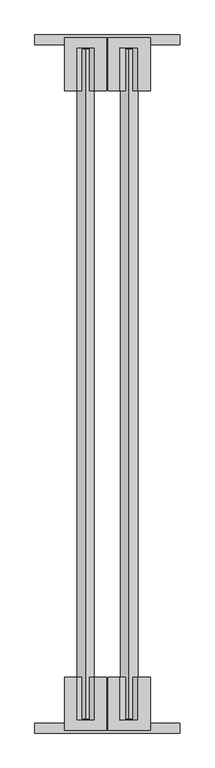
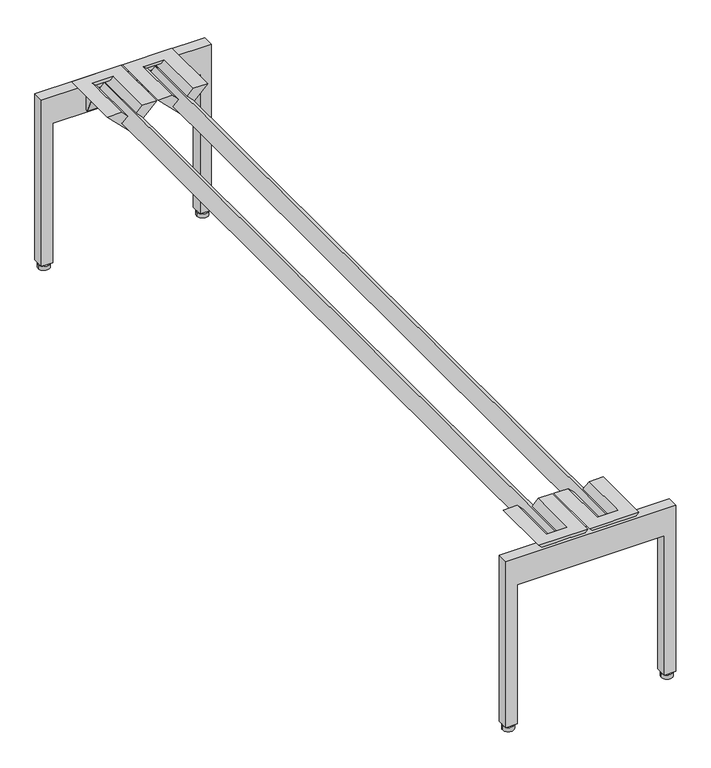
"""IFC4 building model written with IfcOpenShell, lengths in millimetres: furniture geometry."""

import ifcopenshell
import ifcopenshell.guid

model = None  # the IFC model being written
_history = None  # IfcOwnerHistory: only IFC2X3 demands one
_inside = {}  # id of a spatial element -> (the spatial element, [elements in it])
_under = {}  # id of a project, library or spatial element -> (it, [spatial elements below it])
_declared = {}  # id of a project -> (the project, [libraries it declares])
_typed = {}  # id of a type object -> (the type object, [elements of that type])
_made_of = {}  # id of a material, layer set ... -> (it, [elements and type objects made of it])


def new_model(schema):
    """Start an empty IFC model of exactly this schema.

    Asked for "IFC4X3", IfcOpenShell would pick the latest addendum, in which some entities
    have other attributes; the version numbers below select the first issue.
    IFC2X3 requires an IfcOwnerHistory on every rooted entity: one is made here for all.
    """
    global model, _history
    if schema == "IFC4X3":
        model = ifcopenshell.file(schema_version=(4, 3, 0, 0))
    else:
        model = ifcopenshell.file(schema=schema)
    _inside.clear()
    _under.clear()
    _declared.clear()
    _typed.clear()
    _made_of.clear()
    _history = None
    if model.schema == "IFC2X3":
        org = make("IfcOrganization", Name="unknown")
        user = make(
            "IfcPersonAndOrganization",
            ThePerson=make("IfcPerson", FamilyName="unknown"),
            TheOrganization=org,
        )
        app = make(
            "IfcApplication",
            ApplicationDeveloper=org,
            Version="unknown",
            ApplicationFullName="unknown",
            ApplicationIdentifier="unknown",
        )
        _history = make(
            "IfcOwnerHistory",
            OwningUser=user,
            OwningApplication=app,
            ChangeAction="ADDED",
            CreationDate=0,
        )
    return model


def make(cls, **values):
    """One entity of the class cls with the attributes given. An attribute that is None is left unset."""
    return model.create_entity(
        cls, **{name: value for name, value in values.items() if value is not None}
    )


def rooted(cls, **values):
    """An entity with a GlobalId (a new one), such as an element, a storey or a relation."""
    return make(cls, GlobalId=ifcopenshell.guid.new(), OwnerHistory=_history, **values)


def si_unit(unit_type, name, prefix=None):
    """IfcSIUnit, for example si_unit("LENGTHUNIT", "METRE", prefix="MILLI")."""
    return make("IfcSIUnit", UnitType=unit_type, Prefix=prefix, Name=name)


def assignment(units):
    """IfcUnitAssignment: the units of a project."""
    return None if units is None else make("IfcUnitAssignment", Units=units)


def point(xyz):
    """IfcCartesianPoint."""
    return None if xyz is None else make("IfcCartesianPoint", Coordinates=xyz)


def direction(xyz):
    """IfcDirection."""
    return None if xyz is None else make("IfcDirection", DirectionRatios=xyz)


def frame(location, z_axis=None, x_axis=None):
    """IfcAxis2Placement3D, a coordinate frame: its origin and axes. An axis left out is left unset."""
    return make(
        "IfcAxis2Placement3D",
        Location=point(location),
        Axis=direction(z_axis),
        RefDirection=direction(x_axis),
    )


def frame_2d(location, x_axis=None):
    """IfcAxis2Placement2D, a coordinate frame in the plane: its origin and x axis."""
    return make(
        "IfcAxis2Placement2D", Location=point(location), RefDirection=direction(x_axis)
    )


def origin():
    """The frame at (0, 0, 0) with its axes left unset."""
    return frame((0.0, 0.0, 0.0))


def origin_with_axes():
    """The frame at (0, 0, 0) with the z axis (0, 0, 1) and the x axis (1, 0, 0) written out."""
    return frame((0.0, 0.0, 0.0), z_axis=(0.0, 0.0, 1.0), x_axis=(1.0, 0.0, 0.0))


def place(relative_to, where):
    """IfcLocalPlacement: puts the frame where relative to a parent placement (None: the world)."""
    return make(
        "IfcLocalPlacement", PlacementRelTo=relative_to, RelativePlacement=where
    )


def context(
    kind, dimensions, precision=None, world=None, true_north=None, identifier=None
):
    """IfcGeometricRepresentationContext, for example the 3D "Model" context."""
    return make(
        "IfcGeometricRepresentationContext",
        ContextIdentifier=identifier,
        ContextType=kind,
        CoordinateSpaceDimension=dimensions,
        Precision=precision,
        WorldCoordinateSystem=world,
        TrueNorth=true_north,
    )


def project(units=None, contexts=None):
    """IfcProject with its units and contexts."""
    return rooted(
        "IfcProject",
        Name="project",
        RepresentationContexts=contexts,
        UnitsInContext=assignment(units),
    )


def spatial(cls, under=None, at=None, **own):
    """A site, building, storey or space (cls), placed at a placement, below another one or the project."""
    s = rooted(cls, ObjectPlacement=at, **own)
    if under is not None:
        _under.setdefault(under.id(), (under, []))[1].append(s)
    return s


def polyline(points):
    """IfcPolyline through the points."""
    return make("IfcPolyline", Points=[point(p) for p in points])


def circle_curve(where, radius):
    """IfcCircle in the frame where."""
    return make("IfcCircle", Position=where, Radius=radius)


def trimmed(basis, trim1, trim2, sense, master):
    """IfcTrimmedCurve: the piece of a basis curve between two trims."""
    return make(
        "IfcTrimmedCurve",
        BasisCurve=basis,
        Trim1=trim1,
        Trim2=trim2,
        SenseAgreement=sense,
        MasterRepresentation=master,
    )


def segment(curve, same_sense, transition):
    """IfcCompositeCurveSegment."""
    return make(
        "IfcCompositeCurveSegment",
        Transition=transition,
        SameSense=same_sense,
        ParentCurve=curve,
    )


def composite_curve(segments, self_intersect=None):
    """IfcCompositeCurve: segments joined end to end."""
    return make("IfcCompositeCurve", Segments=segments, SelfIntersect=self_intersect)


def outline(outer, holes=None, kind="AREA"):
    """IfcArbitraryClosedProfileDef: a profile drawn as a closed curve; with holes, ...WithVoids."""
    if holes is None:
        return make("IfcArbitraryClosedProfileDef", ProfileType=kind, OuterCurve=outer)
    return make(
        "IfcArbitraryProfileDefWithVoids",
        ProfileType=kind,
        OuterCurve=outer,
        InnerCurves=holes,
    )


def extrude(swept, where, along, depth):
    """IfcExtrudedAreaSolid: the profile swept, set in the frame where, extruded along a direction by depth."""
    return make(
        "IfcExtrudedAreaSolid",
        SweptArea=swept,
        Position=where,
        ExtrudedDirection=direction(along),
        Depth=depth,
    )


def faces_of(points, faces, orient=None, outer=None):
    """IfcFace entities. A face is a list of loops; a loop is a list of indices into points, from 0.

    orient and outer hold one flag for each loop. By default every Orientation is true, the
    first loop of a face is its IfcFaceOuterBound and the others are IfcFaceBound.
    """
    made = []
    for i, loops in enumerate(faces):
        bounds = []
        for j, loop in enumerate(loops):
            is_outer = j == 0 if outer is None else outer[i][j]
            bounds.append(
                make(
                    "IfcFaceOuterBound" if is_outer else "IfcFaceBound",
                    Bound=make("IfcPolyLoop", Polygon=[points[k] for k in loop]),
                    Orientation=True if orient is None else orient[i][j],
                )
            )
        made.append(make("IfcFace", Bounds=bounds))
    return made


def faceted_brep(points, faces, orient=None, outer=None, voids=None):
    """IfcFacetedBrep: a solid bounded by flat faces; with voids (closed shells), ...WithVoids."""
    shared = [point(p) for p in points]
    hull = make("IfcClosedShell", CfsFaces=faces_of(shared, faces, orient, outer))
    if voids is None:
        return make("IfcFacetedBrep", Outer=hull)
    return make(
        "IfcFacetedBrepWithVoids",
        Outer=hull,
        Voids=[
            make(cls, CfsFaces=faces_of(shared, fs, o, b)) for cls, fs, o, b in voids
        ],
    )


def shape(context_of_items, identifier, shape_type, items):
    """IfcShapeRepresentation: the items that make up one representation, for example the "Body"."""
    return make(
        "IfcShapeRepresentation",
        ContextOfItems=context_of_items,
        RepresentationIdentifier=identifier,
        RepresentationType=shape_type,
        Items=items,
    )


def source(mapping_origin, context_of_items, identifier, shape_type, items):
    """IfcRepresentationMap: a shape defined once, which mapped items show again and again."""
    return make(
        "IfcRepresentationMap",
        MappingOrigin=mapping_origin,
        MappedRepresentation=shape(context_of_items, identifier, shape_type, items),
    )


def transform(
    local_origin,
    x_axis=None,
    y_axis=None,
    z_axis=None,
    scale=None,
    scale2=None,
    scale3=None,
    uniform=True,
):
    """IfcCartesianTransformationOperator3D, or its non-uniform kind. x_axis, y_axis, z_axis: its Axis1, 2, 3."""
    if uniform:
        return make(
            "IfcCartesianTransformationOperator3D",
            Axis1=direction(x_axis),
            Axis2=direction(y_axis),
            LocalOrigin=point(local_origin),
            Scale=scale,
            Axis3=direction(z_axis),
        )
    return make(
        "IfcCartesianTransformationOperator3DnonUniform",
        Axis1=direction(x_axis),
        Axis2=direction(y_axis),
        LocalOrigin=point(local_origin),
        Scale=scale,
        Axis3=direction(z_axis),
        Scale2=scale2,
        Scale3=scale3,
    )


def mapped(mapping_source, mapping_target):
    """IfcMappedItem: shows the shape of a source again, moved by a transform."""
    return make(
        "IfcMappedItem", MappingSource=mapping_source, MappingTarget=mapping_target
    )


def made_of(thing, what):
    """Note that an element or type object is made of a material, layer set ...; save() writes the relation."""
    if what is not None:
        _made_of.setdefault(what.id(), (what, []))[1].append(thing)
    return thing


def element(
    cls,
    number,
    at=None,
    inside=None,
    cuts=None,
    type_object=None,
    material=None,
    context=None,
    identifier="Body",
    shape_type=None,
    held_by="IfcProductDefinitionShape",
    body=None,
    shapes=None,
    **own,
):
    """One element of the class cls, such as IfcWall. Its Tag is "e" and its number.

    at: its placement. inside: the storey or other place that contains it. cuts: it is an
    opening in that element (IfcRelVoidsElement). A single representation is given by context,
    identifier, shape_type and body (its items); several are given by shapes. held_by: the class
    of the entity that holds the representations. save() writes the other relations.
    """
    e = rooted(cls, Tag="e%d" % number, ObjectPlacement=at, **own)
    if body is not None:
        shapes = [shape(context, identifier, shape_type, body)]
    if shapes is not None:
        e.Representation = make(held_by, Representations=shapes)
    if inside is not None:
        _inside.setdefault(inside.id(), (inside, []))[1].append(e)
    if cuts is not None:
        rooted(
            "IfcRelVoidsElement", RelatingBuildingElement=cuts, RelatedOpeningElement=e
        )
    if type_object is not None:
        _typed.setdefault(type_object.id(), (type_object, []))[1].append(e)
    return made_of(e, material)


def aggregate(whole, parts):
    """IfcRelAggregates: a whole, such as a stair, and the parts it consists of."""
    return rooted("IfcRelAggregates", RelatingObject=whole, RelatedObjects=parts)


def save(model, path):
    """Write the relations noted so far, then the file.

    IfcRelAggregates (storeys below a building ...), IfcRelContainedInSpatialStructure (elements
    in a storey), IfcRelDefinesByType, IfcRelAssociatesMaterial and IfcRelDeclares: one each for
    every whole, place, type object, material and project.
    """
    for whole, parts in _under.values():
        aggregate(whole, parts)
    for where, things in _inside.values():
        rooted(
            "IfcRelContainedInSpatialStructure",
            RelatedElements=things,
            RelatingStructure=where,
        )
    for kind, things in _typed.values():
        rooted("IfcRelDefinesByType", RelatedObjects=things, RelatingType=kind)
    for what, things in _made_of.values():
        rooted("IfcRelAssociatesMaterial", RelatedObjects=things, RelatingMaterial=what)
    for by, libraries in _declared.values():
        rooted("IfcRelDeclares", RelatingContext=by, RelatedDefinitions=libraries)
    model.write(path)


def furniture_86c1d55c(model_context):
    return source(origin(), model_context, "Body", "SolidModel", [
        extrude(outline(composite_curve([segment(trimmed(circle_curve(frame_2d((368.2999996, -1816.0999999)), 3.9687499), [point((372.2687495, -1816.0999999))], [point((364.3312497, -1816.0999999))], False, "CARTESIAN"), True, "CONTINUOUS"), segment(trimmed(circle_curve(frame_2d((368.2999996, -1816.0999999)), 3.9687499), [point((364.3312497, -1816.0999999))], [point((372.2687495, -1816.0999999))], False, "CARTESIAN"), True, "CONTINUOUS")], self_intersect=False)), frame((0.0, 0.0, 9.525), z_axis=(0.0, 0.0, 1.0), x_axis=(1.0, 0.0, 0.0)), (0.0, 0.0, 1.0), 3.1750004),
        extrude(outline(composite_curve([segment(trimmed(circle_curve(frame_2d((368.2999996, -1816.0999996)), 12.7000004), [point((381.0, -1816.0999996))], [point((355.5999992, -1816.0999996))], False, "CARTESIAN"), True, "CONTINUOUS"), segment(trimmed(circle_curve(frame_2d((368.2999996, -1816.0999996)), 12.7000004), [point((355.5999992, -1816.0999996))], [point((381.0, -1816.0999996))], False, "CARTESIAN"), True, "CONTINUOUS")], self_intersect=False)), origin_with_axes(), (0.0, 0.0, 1.0), 9.525),
        faceted_brep([(192.4050254, -1682.7522285, 412.7499879), (224.1549952, -1682.7522285, 412.7499879), (237.8993597, -1682.7522285, 399.0056233), (225.1993586, -1682.7522285, 386.3056404), (247.6500091, -1682.7522285, 363.8549982), (270.1006464, -1682.7522285, 386.3056355), (257.4006403, -1682.7522285, 399.0056233), (271.1450048, -1682.7522285, 412.7499879), (302.8949746, -1682.7522285, 412.7499879), (247.65, -1682.7522285, 357.5050133), (192.4050254, -1821.1847672, 412.7499879), (247.65, -1821.1847672, 357.5050133), (302.8949746, -1821.1847672, 412.7499879), (257.4006403, -1821.1847672, 399.0056233), (270.1006464, -1821.1847672, 386.3056355), (247.6500091, -1821.1847672, 363.8549982), (225.1993586, -1821.1847672, 386.3056404), (237.8993597, -1821.1847672, 399.0056233), (230.5049709, -1821.1847672, 406.4000121), (264.7950291, -1821.1847672, 406.4000121), (247.65, -1794.3509835, 357.5050133), (214.2753111, -1778.389187, 390.8797022), (214.2753111, -1803.3999992, 390.8797022), (247.65, -1803.3999992, 357.5050133), (280.9503111, -1803.3999992, 390.8053245), (280.9503111, -1778.424759, 390.8053245), (270.1006464, -1803.3999992, 386.3056355), (247.6500091, -1803.3999992, 363.8549982), (247.6500091, -1791.3140364, 363.8549982), (270.1006464, -1780.5767826, 386.3056355), (225.1993586, -1803.3999992, 386.3056404), (225.1993586, -1780.5767803, 386.3056404), (271.1450048, -1795.7822252, 412.7499879), (224.1549952, -1795.7822252, 412.7499879), (264.7950291, -1795.7822252, 406.4000121), (264.7128134, -1777.9999985, 391.6934607), (264.7128134, -1803.3999992, 391.6934607), (230.5871866, -1803.3999992, 391.6934607), (230.5871866, -1777.9999985, 391.6934607), (230.5049709, -1795.7822252, 406.4000121), (280.9503111, -1798.3199995, 349.2061558), (280.9503111, -1803.3999992, 349.2061558), (214.2753111, -1803.3999992, 349.2061558), (214.2753111, -1798.3199995, 349.2061558)], [[[0, 1, 2, 3, 4, 5, 6, 7, 8, 9]], [[10, 11, 12], [13, 14, 15, 16, 17, 18, 19]], [[9, 20, 21, 22, 23, 11, 10, 0]], [[12, 11, 23, 24, 25, 20, 9, 8]], [[14, 26, 27, 15]], [[4, 28, 29, 5]], [[15, 27, 30, 16]], [[3, 31, 28, 4]], [[7, 32, 33, 1, 0, 10, 12, 8]], [[6, 13, 19, 34, 32, 7]], [[5, 29, 35, 36, 26, 14, 13, 6]], [[2, 17, 16, 30, 37, 38, 31, 3]], [[1, 33, 39, 18, 17, 2]], [[40, 25, 24, 41]], [[42, 22, 21, 43]], [[37, 30, 27, 26, 36]], [[41, 24, 23, 22, 42]], [[36, 35, 38, 37]], [[35, 29, 28, 31, 38]], [[43, 21, 20, 25, 40]], [[41, 42, 43, 40]], [[32, 34, 39, 33]], [[18, 39, 34, 19]]]),
        faceted_brep([(78.1050254, -1682.7522285, 412.7499879), (109.8550042, -1682.7522285, 412.7499879), (123.5993597, -1682.7522285, 399.0056233), (110.8993631, -1682.7522285, 386.3056358), (133.3500091, -1682.7522285, 363.8549982), (155.8006464, -1682.7522285, 386.3056355), (143.1006403, -1682.7522285, 399.0056233), (156.8450048, -1682.7522285, 412.7499879), (188.5949746, -1682.7522285, 412.7499879), (133.35, -1682.7522285, 357.5050133), (78.1050254, -1821.1847672, 412.7499879), (133.35, -1821.1847672, 357.5050133), (188.5949746, -1821.1847672, 412.7499879), (143.1006403, -1821.1847672, 399.0056233), (155.8006464, -1821.1847672, 386.3056355), (133.3500091, -1821.1847672, 363.8549982), (110.8993631, -1821.1847672, 386.3056358), (123.5993597, -1821.1847672, 399.0056233), (116.2049758, -1821.1847672, 406.4000121), (150.4950291, -1821.1847672, 406.4000121), (133.35, -1794.3509835, 357.5050133), (99.9753021, -1778.3891827, 390.8797113), (99.9753021, -1803.3999992, 390.8797113), (133.35, -1803.3999992, 357.5050133), (166.6503111, -1803.3999992, 390.8053245), (166.6503111, -1778.424759, 390.8053245), (155.8006464, -1803.3999992, 386.3056355), (133.3500091, -1803.3999992, 363.8549982), (133.3500091, -1791.3140364, 363.8549982), (155.8006464, -1780.5767826, 386.3056355), (110.8993631, -1803.3999992, 386.3056358), (110.8993631, -1780.5767825, 386.3056358), (156.8450048, -1795.7822252, 412.7499879), (109.8550042, -1795.7822252, 412.7499879), (150.4950291, -1795.7822252, 406.4000121), (150.4128134, -1777.9999985, 391.6934607), (150.4128134, -1803.3999992, 391.6934607), (116.2871918, -1803.3999992, 391.6934607), (116.2871918, -1777.9999985, 391.6934607), (116.2049758, -1795.7822252, 406.4000121), (166.6503111, -1798.3199995, 349.2061558), (166.6503111, -1803.3999992, 349.2061558), (99.9753021, -1803.3999992, 349.2061558), (99.9753021, -1798.3199995, 349.2061558)], [[[0, 1, 2, 3, 4, 5, 6, 7, 8, 9]], [[10, 11, 12], [13, 14, 15, 16, 17, 18, 19]], [[9, 20, 21, 22, 23, 11, 10, 0]], [[12, 11, 23, 24, 25, 20, 9, 8]], [[14, 26, 27, 15]], [[4, 28, 29, 5]], [[15, 27, 30, 16]], [[3, 31, 28, 4]], [[7, 32, 33, 1, 0, 10, 12, 8]], [[6, 13, 19, 34, 32, 7]], [[5, 29, 35, 36, 26, 14, 13, 6]], [[2, 17, 16, 30, 37, 38, 31, 3]], [[1, 33, 39, 18, 17, 2]], [[40, 25, 24, 41]], [[42, 22, 21, 43]], [[37, 30, 27, 26, 36]], [[41, 24, 23, 22, 42]], [[36, 35, 38, 37]], [[35, 29, 28, 31, 38]], [[43, 21, 20, 25, 40]], [[41, 42, 43, 40]], [[32, 34, 39, 33]], [[18, 39, 34, 19]]]),
        extrude(outline(polyline([(12.7000004, 0.0), (12.7000004, 25.4000008), (342.9, 25.4000008), (342.9, 355.5999879), (12.7000004, 355.5999879), (12.7000004, 381.0), (406.4000121, 381.0), (406.4000121, 0.0), (12.7000004, 0.0)])), frame((0.0, -1828.8, 0.0), z_axis=(0.0, 1.0, 0.0), x_axis=(0.0, 0.0, 1.0)), (0.0, 0.0, 1.0), 25.4000008),
        extrude(outline(composite_curve([segment(trimmed(circle_curve(frame_2d((12.7000004, -1816.0999999)), 3.9687499), [point((16.6687503, -1816.0999999))], [point((8.7312505, -1816.0999999))], False, "CARTESIAN"), True, "CONTINUOUS"), segment(trimmed(circle_curve(frame_2d((12.7000004, -1816.0999999)), 3.9687499), [point((8.7312505, -1816.0999999))], [point((16.6687503, -1816.0999999))], False, "CARTESIAN"), True, "CONTINUOUS")], self_intersect=False)), frame((0.0, 0.0, 9.525), z_axis=(0.0, 0.0, 1.0), x_axis=(1.0, 0.0, 0.0)), (0.0, 0.0, 1.0), 3.1750004),
        extrude(outline(composite_curve([segment(trimmed(circle_curve(frame_2d((12.7000004, -1816.0999996)), 12.7000004), [point((25.4000008, -1816.0999996))], [point((0.0, -1816.0999996))], False, "CARTESIAN"), True, "CONTINUOUS"), segment(trimmed(circle_curve(frame_2d((12.7000004, -1816.0999996)), 12.7000004), [point((0.0, -1816.0999996))], [point((25.4000008, -1816.0999996))], False, "CARTESIAN"), True, "CONTINUOUS")], self_intersect=False)), origin_with_axes(), (0.0, 0.0, 1.0), 9.525),
        extrude(outline(composite_curve([segment(trimmed(circle_curve(frame_2d((368.2999996, -12.7000001)), 3.9687499), [point((372.2687495, -12.7000001))], [point((364.3312497, -12.7000001))], False, "CARTESIAN"), True, "CONTINUOUS"), segment(trimmed(circle_curve(frame_2d((368.2999996, -12.7000001)), 3.9687499), [point((364.3312497, -12.7000001))], [point((372.2687495, -12.7000001))], False, "CARTESIAN"), True, "CONTINUOUS")], self_intersect=False)), frame((0.0, 0.0, 9.525), z_axis=(0.0, 0.0, 1.0), x_axis=(1.0, 0.0, 0.0)), (0.0, 0.0, 1.0), 3.1750004),
        extrude(outline(composite_curve([segment(trimmed(circle_curve(frame_2d((368.2999996, -12.7000004)), 12.7000004), [point((381.0, -12.7000004))], [point((355.5999992, -12.7000004))], False, "CARTESIAN"), True, "CONTINUOUS"), segment(trimmed(circle_curve(frame_2d((368.2999996, -12.7000004)), 12.7000004), [point((355.5999992, -12.7000004))], [point((381.0, -12.7000004))], False, "CARTESIAN"), True, "CONTINUOUS")], self_intersect=False)), origin_with_axes(), (0.0, 0.0, 1.0), 9.525),
        faceted_brep([(192.4050254, -146.0477715, 412.7499879), (247.65, -146.0477715, 357.5050133), (302.8949746, -146.0477715, 412.7499879), (271.1450048, -146.0477715, 412.7499879), (257.4006403, -146.0477715, 399.0056233), (270.1006464, -146.0477715, 386.3056355), (247.6500091, -146.0477715, 363.8549982), (225.1993586, -146.0477715, 386.3056404), (237.8993597, -146.0477715, 399.0056233), (224.1549952, -146.0477715, 412.7499879), (192.4050254, -7.6152328, 412.7499879), (302.8949746, -7.6152328, 412.7499879), (247.65, -7.6152328, 357.5050133), (257.4006403, -7.6152328, 399.0056233), (264.7950291, -7.6152328, 406.4000121), (230.5049709, -7.6152328, 406.4000121), (237.8993597, -7.6152328, 399.0056233), (225.1993586, -7.6152328, 386.3056404), (247.6500091, -7.6152328, 363.8549982), (270.1006464, -7.6152328, 386.3056355), (247.65, -25.4000008, 357.5050133), (214.2753111, -25.4000008, 390.8797022), (214.2753111, -50.410813, 390.8797022), (247.65, -34.4490165, 357.5050133), (280.9503111, -50.375241, 390.8053245), (280.9503111, -25.4000008, 390.8053245), (270.1006464, -48.2232174, 386.3056355), (247.6500091, -37.4859636, 363.8549982), (247.6500091, -25.4000008, 363.8549982), (270.1006464, -25.4000008, 386.3056355), (225.1993586, -48.2232197, 386.3056404), (225.1993586, -25.4000008, 386.3056404), (224.1549952, -33.0177748, 412.7499879), (271.1450048, -33.0177748, 412.7499879), (264.7950291, -33.0177748, 406.4000121), (264.7128134, -25.4000008, 391.6934607), (264.7128134, -50.8000015, 391.6934607), (230.5871866, -50.8000015, 391.6934607), (230.5871866, -25.4000008, 391.6934607), (230.5049709, -33.0177748, 406.4000121), (280.9503111, -30.4800005, 349.2061558), (280.9503111, -25.4000008, 349.2061558), (214.2753111, -25.4000008, 349.2061558), (214.2753111, -30.4800005, 349.2061558)], [[[0, 1, 2, 3, 4, 5, 6, 7, 8, 9]], [[10, 11, 12], [13, 14, 15, 16, 17, 18, 19]], [[1, 0, 10, 12, 20, 21, 22, 23]], [[11, 2, 1, 23, 24, 25, 20, 12]], [[6, 5, 26, 27]], [[19, 18, 28, 29]], [[7, 6, 27, 30]], [[18, 17, 31, 28]], [[3, 2, 11, 10, 0, 9, 32, 33]], [[4, 3, 33, 34, 14, 13]], [[5, 4, 13, 19, 29, 35, 36, 26]], [[8, 7, 30, 37, 38, 31, 17, 16]], [[9, 8, 16, 15, 39, 32]], [[40, 41, 25, 24]], [[42, 43, 22, 21]], [[41, 42, 21, 20, 25]], [[38, 35, 29, 28, 31]], [[35, 38, 37, 36]], [[36, 37, 30, 27, 26]], [[43, 40, 24, 23, 22]], [[41, 40, 43, 42]], [[33, 32, 39, 34]], [[15, 14, 34, 39]]]),
        faceted_brep([(78.1050254, -146.0477715, 412.7499879), (133.35, -146.0477715, 357.5050133), (188.5949746, -146.0477715, 412.7499879), (156.8450048, -146.0477715, 412.7499879), (143.1006403, -146.0477715, 399.0056233), (155.8006464, -146.0477715, 386.3056355), (133.3500091, -146.0477715, 363.8549982), (110.8993631, -146.0477715, 386.3056358), (123.5993597, -146.0477715, 399.0056233), (109.8550042, -146.0477715, 412.7499879), (78.1050254, -7.6152328, 412.7499879), (188.5949746, -7.6152328, 412.7499879), (133.35, -7.6152328, 357.5050133), (143.1006403, -7.6152328, 399.0056233), (150.4950291, -7.6152328, 406.4000121), (116.2049758, -7.6152328, 406.4000121), (123.5993597, -7.6152328, 399.0056233), (110.8993631, -7.6152328, 386.3056358), (133.3500091, -7.6152328, 363.8549982), (155.8006464, -7.6152328, 386.3056355), (133.35, -25.4000008, 357.5050133), (99.9753021, -25.4000008, 390.8797113), (99.9753021, -50.4108173, 390.8797113), (133.35, -34.4490165, 357.5050133), (166.6503111, -50.375241, 390.8053245), (166.6503111, -25.4000008, 390.8053245), (155.8006464, -48.2232174, 386.3056355), (133.3500091, -37.4859636, 363.8549982), (133.3500091, -25.4000008, 363.8549982), (155.8006464, -25.4000008, 386.3056355), (110.8993631, -48.2232175, 386.3056358), (110.8993631, -25.4000008, 386.3056358), (109.8550042, -33.0177748, 412.7499879), (156.8450048, -33.0177748, 412.7499879), (150.4950291, -33.0177748, 406.4000121), (150.4128134, -25.4000008, 391.6934607), (150.4128134, -50.8000015, 391.6934607), (116.2871918, -50.8000015, 391.6934607), (116.2871918, -25.4000008, 391.6934607), (116.2049758, -33.0177748, 406.4000121), (166.6503111, -30.4800005, 349.2061558), (166.6503111, -25.4000008, 349.2061558), (99.9753021, -25.4000008, 349.2061558), (99.9753021, -30.4800005, 349.2061558)], [[[0, 1, 2, 3, 4, 5, 6, 7, 8, 9]], [[10, 11, 12], [13, 14, 15, 16, 17, 18, 19]], [[1, 0, 10, 12, 20, 21, 22, 23]], [[11, 2, 1, 23, 24, 25, 20, 12]], [[6, 5, 26, 27]], [[19, 18, 28, 29]], [[7, 6, 27, 30]], [[18, 17, 31, 28]], [[3, 2, 11, 10, 0, 9, 32, 33]], [[4, 3, 33, 34, 14, 13]], [[5, 4, 13, 19, 29, 35, 36, 26]], [[8, 7, 30, 37, 38, 31, 17, 16]], [[9, 8, 16, 15, 39, 32]], [[40, 41, 25, 24]], [[42, 43, 22, 21]], [[41, 42, 21, 20, 25]], [[38, 35, 29, 28, 31]], [[35, 38, 37, 36]], [[36, 37, 30, 27, 26]], [[43, 40, 24, 23, 22]], [[41, 40, 43, 42]], [[33, 32, 39, 34]], [[15, 14, 34, 39]]]),
        extrude(outline(polyline([(12.7000004, 0.0), (12.7000004, 25.4000008), (342.9, 25.4000008), (342.9, 355.5999879), (12.7000004, 355.5999879), (12.7000004, 381.0), (406.4000121, 381.0), (406.4000121, 0.0), (12.7000004, 0.0)])), frame((0.0, -25.4000008, 0.0), z_axis=(0.0, 1.0, 0.0), x_axis=(0.0, 0.0, 1.0)), (0.0, 0.0, 1.0), 25.4000008),
        extrude(outline(composite_curve([segment(trimmed(circle_curve(frame_2d((12.7000004, -12.7000001)), 3.9687499), [point((16.6687503, -12.7000001))], [point((8.7312505, -12.7000001))], False, "CARTESIAN"), True, "CONTINUOUS"), segment(trimmed(circle_curve(frame_2d((12.7000004, -12.7000001)), 3.9687499), [point((8.7312505, -12.7000001))], [point((16.6687503, -12.7000001))], False, "CARTESIAN"), True, "CONTINUOUS")], self_intersect=False)), frame((0.0, 0.0, 9.525), z_axis=(0.0, 0.0, 1.0), x_axis=(1.0, 0.0, 0.0)), (0.0, 0.0, 1.0), 3.1750004),
        extrude(outline(composite_curve([segment(trimmed(circle_curve(frame_2d((12.7000004, -12.7000004)), 12.7000004), [point((25.4000008, -12.7000004))], [point((0.0, -12.7000004))], False, "CARTESIAN"), True, "CONTINUOUS"), segment(trimmed(circle_curve(frame_2d((12.7000004, -12.7000004)), 12.7000004), [point((0.0, -12.7000004))], [point((25.4000008, -12.7000004))], False, "CARTESIAN"), True, "CONTINUOUS")], self_intersect=False)), origin_with_axes(), (0.0, 0.0, 1.0), 9.525),
        extrude(outline(polyline([(408.7562532, 133.3499965), (386.3056358, 110.8993631), (363.8549982, 133.3500091), (386.3056355, 155.8006464), (408.7562532, 133.3499965)])), frame((0.0, -1790.8051107, 0.0), z_axis=(0.0, 1.0, 0.0), x_axis=(0.0, 0.0, 1.0)), (0.0, 0.0, 1.0), 1752.7051107),
        extrude(outline(polyline([(363.8549982, 247.6500091), (386.3056355, 270.1006464), (408.7562497, 247.65), (386.3056404, 225.1993586), (363.8549982, 247.6500091)])), frame((0.0, -1790.8051107, 0.0), z_axis=(0.0, 1.0, 0.0), x_axis=(0.0, 0.0, 1.0)), (0.0, 0.0, 1.0), 1752.7051107),
    ])


if __name__ == "__main__":
    model = new_model("IFC4")
    model_context = context("Model", 3, world=origin())
    ifc_project = project(units=[si_unit("LENGTHUNIT", "METRE", prefix="MILLI")], contexts=[model_context])
    site = spatial("IfcSite", under=ifc_project)
    building = spatial("IfcBuilding", under=site)
    placement = place(None, origin())
    furniture_shape = furniture_86c1d55c(model_context)
    element("IfcFurniture", 1, at=placement, inside=building, context=model_context, shape_type="MappedRepresentation", body=[
        mapped(furniture_shape, transform((0.0, 0.0, 0.0), x_axis=(1.0, 0.0, 0.0), y_axis=(0.0, 1.0, 0.0), z_axis=(0.0, 0.0, 1.0))),
    ])
    save(model, "model.ifc")
